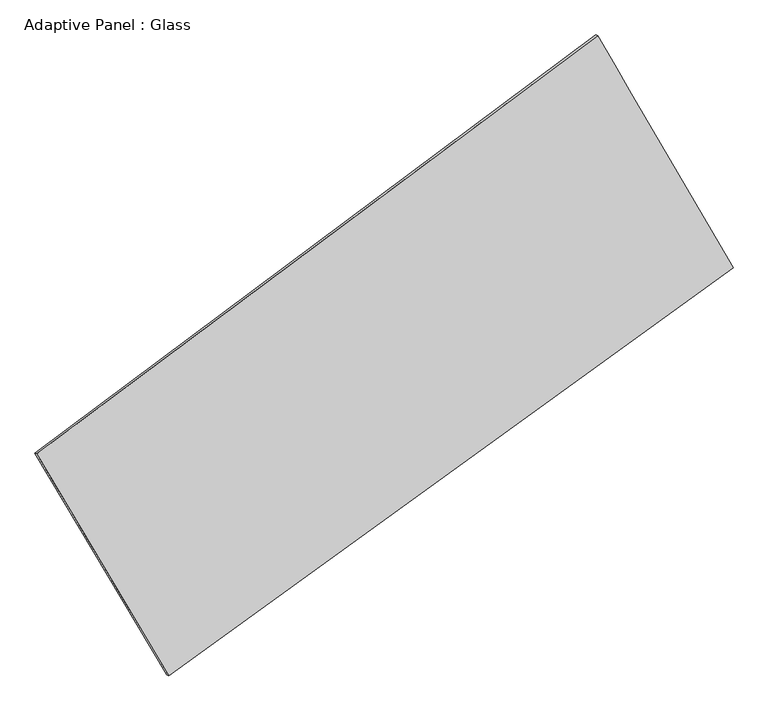
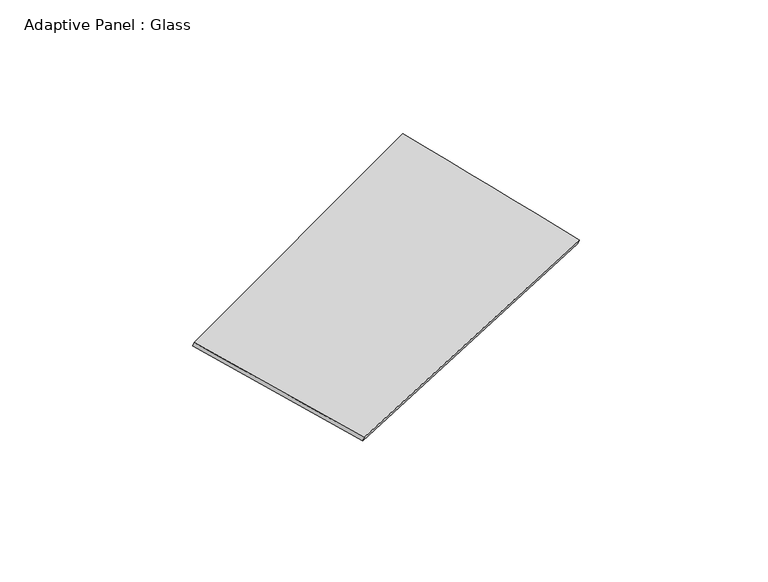
"""IFC4 building model written with IfcOpenShell, lengths in millimetres: plate geometry, Adaptive Panel : Glass."""

from ifc_helpers import new_model, si_unit, frame, origin, place, context, project, spatial, source, transform, mapped, element, save
from ifc_brep_helpers import plane_surface, spline_surface, advanced_brep


def adaptive_panel_glass_0eddedec(model_context):
    return source(origin(), model_context, "Body", "AdvancedBrep", [
        advanced_brep(
        [(1127.6866144, 2586.3410977, 702.8477227), (-3542.7485559, -896.4680332, 1637.9035951), (-3528.0822, -902.8481267, 1685.2765031), (1142.3529703, 2579.9610042, 750.2206307), (-2444.4120644, -2742.6695917, 1092.1169763), (-2429.7457086, -2749.0496852, 1139.4898843), (2256.1834277, 652.5479544, 52.2542261), (2270.8497835, 646.1678609, 99.6271341)],
        [
            (0, 1),
            (1, 2),
            (2, 3),
            (3, 0),
            (1, 4),
            (4, 5),
            (5, 2),
            (4, 6),
            (6, 7),
            (7, 5),
            (6, 0),
            (3, 7),
        ],
        [
            plane_surface(frame((-1207.5309707, 844.9365322, 1170.3756589), z_axis=(-0.5390239742953251, 0.7964297590393784, 0.2741400993130165), x_axis=(-0.791516718723621, -0.5902451387754012, 0.15846753652720136))),
            plane_surface(frame((-2993.5803101, -1819.5688125, 1365.0102857), z_axis=(-0.8207454929835264, -0.5418211198084423, 0.18112622636369882), x_axis=(0.4955367834331765, -0.8329512758323527, -0.2462427021333973))),
            plane_surface(frame((-94.1143184, -1045.0608187, 572.1856012), z_axis=(0.5235417219797365, -0.807793022944395, -0.27087727374006226), x_axis=(0.797922143558523, 0.5763353317194102, -0.17651582997241239))),
            plane_surface(frame((1691.9350211, 1619.444526, 377.5509744), z_axis=(0.8215270888913753, 0.540494181815533, -0.1815469130589126), x_axis=(-0.48400217833969106, 0.8293865634454339, 0.27903372509180174))),
            spline_surface(1, 1, [[(-3528.0822, -902.8481267, 1685.2765031), (1142.3529703, 2579.9610042, 750.2206307)], [(-2429.7457086, -2749.0496852, 1139.4898843), (2270.8497835, 646.1678609, 99.6271341)]], [2, 2], [2, 2], [0.0, 1.0], [0.0, 1.0]),
            spline_surface(1, 1, [[(2256.1834277, 652.5479544, 52.2542261), (1127.6866144, 2586.3410977, 702.8477227)], [(-2444.4120644, -2742.6695917, 1092.1169763), (-3542.7485559, -896.4680332, 1637.9035951)]], [2, 2], [2, 2], [0.0, 1.0], [0.0, 1.0]),
        ],
        [
            (0, [[1, 2, 3, 4]]),
            (1, [[5, 6, 7, -2]]),
            (2, [[8, 9, 10, -6]]),
            (3, [[11, -4, 12, -9]]),
            (4, [[-3, -7, -10, -12]]),
            (5, [[-11, -8, -5, -1]]),
        ],
    ),
    ])


if __name__ == "__main__":
    model = new_model("IFC4")
    model_context = context("Model", 3, world=origin())
    ifc_project = project(units=[si_unit("LENGTHUNIT", "METRE", prefix="MILLI")], contexts=[model_context])
    site = spatial("IfcSite", under=ifc_project)
    building = spatial("IfcBuilding", under=site)
    placement = place(None, origin())
    adaptive_panel_glass_shape = adaptive_panel_glass_0eddedec(model_context)
    element("IfcPlate", 1, ObjectType="Adaptive Panel : Glass", at=placement, inside=building, context=model_context, shape_type="MappedRepresentation", body=[
        mapped(adaptive_panel_glass_shape, transform((0.0, 0.0, 0.0), x_axis=(1.0, 0.0, 0.0), y_axis=(0.0, 1.0, 0.0), z_axis=(0.0, 0.0, 1.0))),
    ])
    save(model, "model.ifc")
